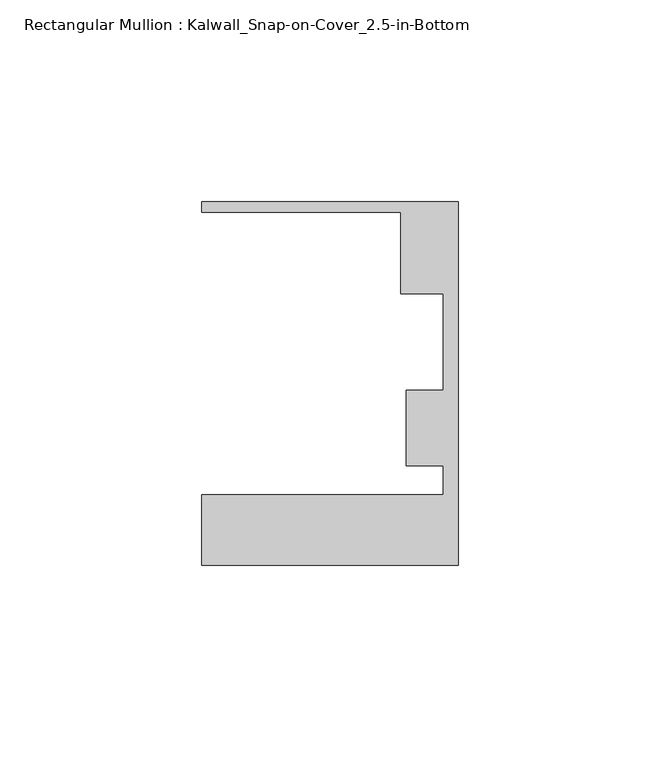
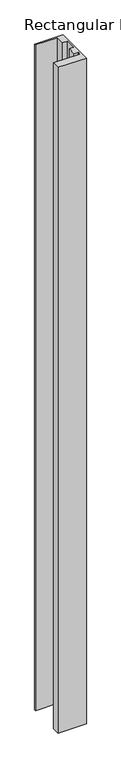
"""IFC4 building model written with IfcOpenShell, lengths in millimetres: member geometry, Rectangular Mullion : Kalwall_Snap-on-Cover_2.5-in-Bottom."""

from ifc_helpers import new_model, si_unit, frame, origin, place, context, project, spatial, polyline, outline, extrude, source, transform, mapped, element, save


def rectangular_mullion_kalwall_snap_on_cover_2_5_in_bottom_f8ba5766(model_context):
    return source(origin(), model_context, "Body", "SweptSolid", [
        extrude(outline(polyline([(0.0, -52.5001386), (-63.5, -52.5001386), (-63.5, -35.0376386), (-3.7084, -35.0376386), (-3.7084, -27.8888568), (-12.8272539, -27.8888568), (-12.8272539, -9.1879886), (-3.7084, -9.1879886), (-3.7084, 14.7439614), (-14.1732, 14.7439614), (-14.1732, 34.9623614), (-63.5, 34.9623614), (-63.5, 37.5023614), (0.0, 37.5023614), (0.0, -52.5001386)])), frame((0.0, 0.0, -1573.3968753), z_axis=(0.0, 0.0, 1.0), x_axis=(1.0, 0.0, 0.0)), (0.0, 0.0, 1.0), 1573.3968753),
    ])


if __name__ == "__main__":
    model = new_model("IFC4")
    model_context = context("Model", 3, world=origin())
    ifc_project = project(units=[si_unit("LENGTHUNIT", "METRE", prefix="MILLI")], contexts=[model_context])
    site = spatial("IfcSite", under=ifc_project)
    building = spatial("IfcBuilding", under=site)
    placement = place(None, origin())
    rectangular_mullion_kalwall_snap_on_cover_2_5_in_bottom_shape = rectangular_mullion_kalwall_snap_on_cover_2_5_in_bottom_f8ba5766(model_context)
    element("IfcMember", 1, ObjectType="Rectangular Mullion : Kalwall_Snap-on-Cover_2.5-in-Bottom", at=placement, inside=building, context=model_context, shape_type="MappedRepresentation", body=[
        mapped(rectangular_mullion_kalwall_snap_on_cover_2_5_in_bottom_shape, transform((0.0, 0.0, 0.0), x_axis=(1.0, 0.0, 0.0), y_axis=(0.0, 1.0, 0.0), z_axis=(0.0, 0.0, 1.0))),
    ])
    save(model, "model.ifc")
